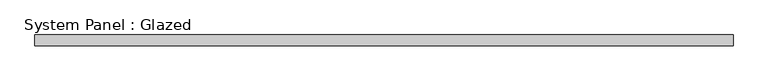
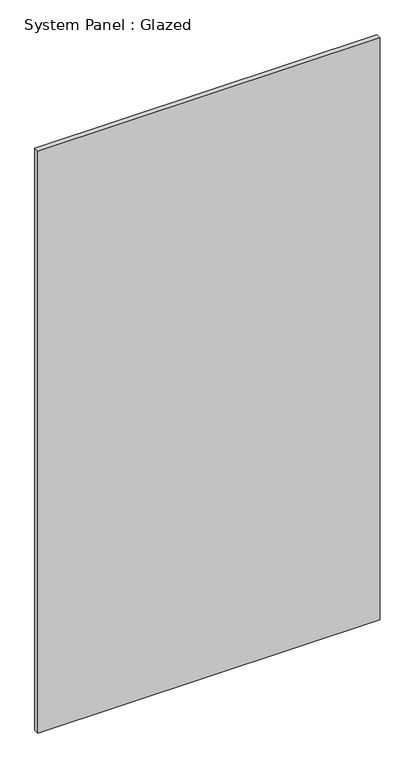
"""IFC4 building model written with IfcOpenShell, lengths in millimetres: plate geometry, System Panel : Glazed."""

from ifc_helpers import new_model, si_unit, origin, origin_with_axes, place, context, project, spatial, polyline, outline, extrude, source, transform, mapped, element, save


def system_panel_glazed_0c8cd6de(model_context):
    return source(origin(), model_context, "Body", "SweptSolid", [
        extrude(outline(polyline([(821.0, -37.5), (-821.0, -37.5), (-821.0, -12.5), (821.0, -12.5), (821.0, -37.5)])), origin_with_axes(), (0.0, 0.0, 1.0), 2950.0),
    ])


if __name__ == "__main__":
    model = new_model("IFC4")
    model_context = context("Model", 3, world=origin())
    ifc_project = project(units=[si_unit("LENGTHUNIT", "METRE", prefix="MILLI")], contexts=[model_context])
    site = spatial("IfcSite", under=ifc_project)
    building = spatial("IfcBuilding", under=site)
    placement = place(None, origin())
    system_panel_glazed_shape = system_panel_glazed_0c8cd6de(model_context)
    element("IfcPlate", 1, ObjectType="System Panel : Glazed", at=placement, inside=building, context=model_context, shape_type="MappedRepresentation", body=[
        mapped(system_panel_glazed_shape, transform((0.0, 0.0, 0.0), x_axis=(1.0, 0.0, 0.0), y_axis=(0.0, 1.0, 0.0), z_axis=(0.0, 0.0, 1.0))),
    ])
    save(model, "model.ifc")
